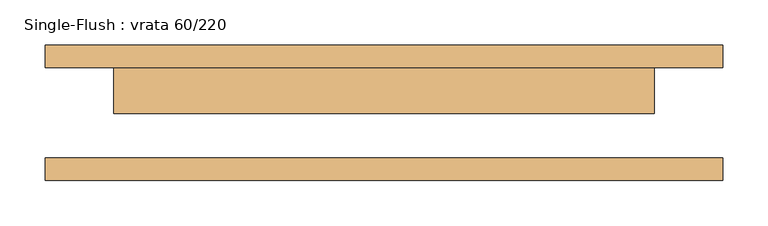
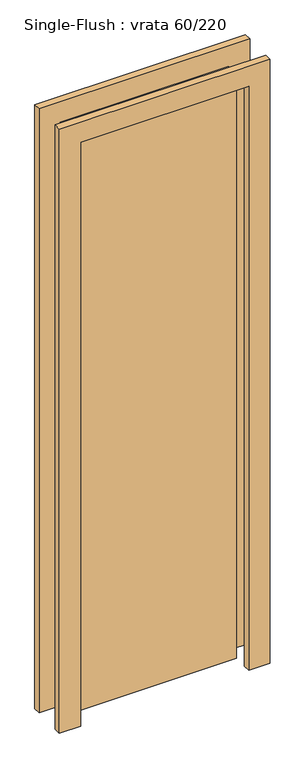
"""IFC4 building model written with IfcOpenShell, lengths in millimetres: door geometry, Single-Flush : vrata 60/220."""

from ifc_helpers import new_model, si_unit, frame, origin, origin_with_axes, place, context, project, spatial, polyline, outline, extrude, source, transform, mapped, element, save


def single_flush_vrata_60_220_279f2c26(model_context):
    return source(origin(), model_context, "Body", "SweptSolid", [
        extrude(outline(polyline([(2276.2, -376.2), (0.0, -376.2), (0.0, -300.0), (2200.0, -300.0), (2200.0, 300.0), (0.0, 300.0), (0.0, 376.2), (2276.2, 376.2), (2276.2, -376.2)])), frame((0.0, 50.0, 0.0), z_axis=(0.0, 1.0, 0.0), x_axis=(0.0, 0.0, 1.0)), (0.0, 0.0, 1.0), 25.4),
        extrude(outline(polyline([(2276.2, 376.2), (2276.2, -376.2), (0.0, -376.2), (0.0, -300.0), (2200.0, -300.0), (2200.0, 300.0), (0.0, 300.0), (0.0, 376.2), (2276.2, 376.2)])), frame((0.0, -75.4, 0.0), z_axis=(0.0, 1.0, 0.0), x_axis=(0.0, 0.0, 1.0)), (0.0, 0.0, 1.0), 25.4),
        extrude(outline(polyline([(300.0, -0.8), (-300.0, -0.8), (-300.0, 50.0), (300.0, 50.0), (300.0, -0.8)])), origin_with_axes(), (0.0, 0.0, 1.0), 2200.0),
    ])


if __name__ == "__main__":
    model = new_model("IFC4")
    model_context = context("Model", 3, world=origin())
    ifc_project = project(units=[si_unit("LENGTHUNIT", "METRE", prefix="MILLI")], contexts=[model_context])
    site = spatial("IfcSite", under=ifc_project)
    building = spatial("IfcBuilding", under=site)
    placement = place(None, origin())
    single_flush_vrata_60_220_shape = single_flush_vrata_60_220_279f2c26(model_context)
    element("IfcDoor", 1, ObjectType="Single-Flush : vrata 60/220", at=placement, inside=building, context=model_context, shape_type="MappedRepresentation", body=[
        mapped(single_flush_vrata_60_220_shape, transform((0.0, 0.0, 0.0), x_axis=(1.0, 0.0, 0.0), y_axis=(0.0, 1.0, 0.0), z_axis=(0.0, 0.0, 1.0))),
    ])
    save(model, "model.ifc")
